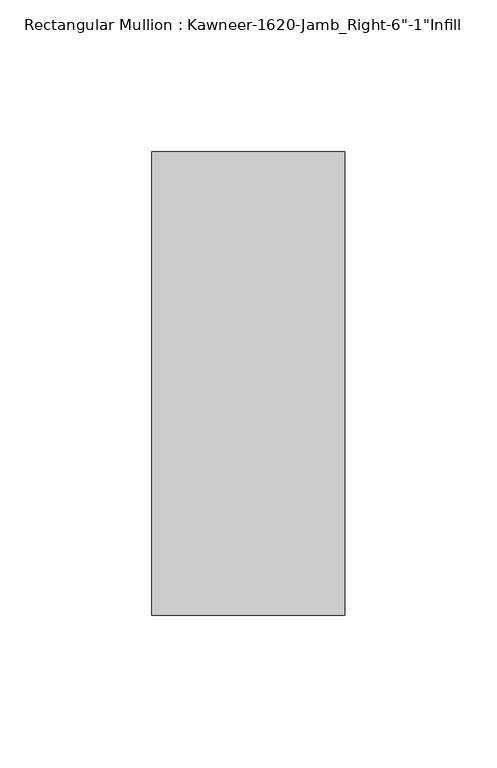
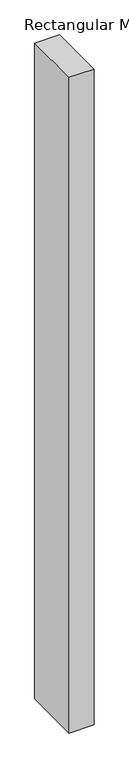
"""IFC4 building model written with IfcOpenShell, lengths in millimetres: member geometry."""

from ifc_helpers import new_model, si_unit, frame, origin, place, context, project, spatial, polyline, outline, extrude, source, transform, mapped, element, save


def member_fb9783c8(model_context):
    return source(origin(), model_context, "Body", "SweptSolid", [
        extrude(outline(polyline([(-63.5, 38.1), (0.0, 38.1), (0.0, -114.3), (-63.5, -114.3), (-63.5, 38.1)])), frame((0.0, 0.0, -1765.3), z_axis=(0.0, 0.0, 1.0), x_axis=(1.0, 0.0, 0.0)), (0.0, 0.0, 1.0), 1765.3),
    ])


if __name__ == "__main__":
    model = new_model("IFC4")
    model_context = context("Model", 3, world=origin())
    ifc_project = project(units=[si_unit("LENGTHUNIT", "METRE", prefix="MILLI")], contexts=[model_context])
    site = spatial("IfcSite", under=ifc_project)
    building = spatial("IfcBuilding", under=site)
    placement = place(None, origin())
    member_shape = member_fb9783c8(model_context)
    element("IfcMember", 1, ObjectType="Rectangular Mullion : Kawneer-1620-Jamb_Right-6\"-1\"Infill", at=placement, inside=building, context=model_context, shape_type="MappedRepresentation", body=[
        mapped(member_shape, transform((0.0, 0.0, 0.0), x_axis=(1.0, 0.0, 0.0), y_axis=(0.0, 1.0, 0.0), z_axis=(0.0, 0.0, 1.0))),
    ])
    save(model, "model.ifc")
